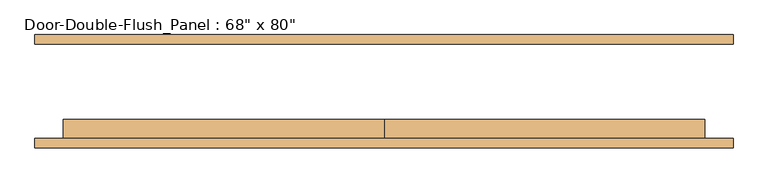
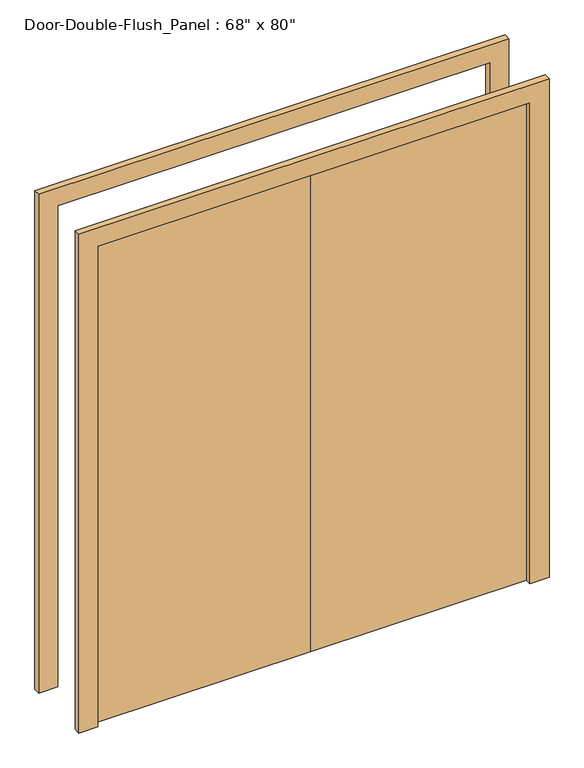
"""IFC4 building model written with IfcOpenShell, lengths in millimetres: door geometry."""

from ifc_helpers import new_model, si_unit, frame, origin, origin_with_axes, place, context, project, spatial, polyline, outline, extrude, source, transform, mapped, element, save


def door_2033baa4(model_context):
    return source(origin(), model_context, "Body", "SweptSolid", [
        extrude(outline(polyline([(2032.0, -863.6), (2032.0, 863.6), (0.0, 863.6), (0.0, 939.8), (2108.2, 939.8), (2108.2, -939.8), (0.0, -939.8), (0.0, -863.6), (2032.0, -863.6)])), frame((0.0, -152.4, 0.0), z_axis=(0.0, 1.0, 0.0), x_axis=(0.0, 0.0, 1.0)), (0.0, 0.0, 1.0), 25.4),
        extrude(outline(polyline([(2032.0, -863.6), (2032.0, 863.6), (0.0, 863.6), (0.0, 939.8), (2108.2, 939.8), (2108.2, -939.8), (0.0, -939.8), (0.0, -863.6), (2032.0, -863.6)])), frame((0.0, 127.0, 0.0), z_axis=(0.0, 1.0, 0.0), x_axis=(0.0, 0.0, 1.0)), (0.0, 0.0, 1.0), 25.4),
        extrude(outline(polyline([(-863.6, -127.0), (-863.6, -76.2), (0.0, -76.2), (0.0, -127.0), (-863.6, -127.0)])), origin_with_axes(), (0.0, 0.0, 1.0), 2032.0),
        extrude(outline(polyline([(0.0, -127.0), (0.0, -76.2), (863.6, -76.2), (863.6, -127.0), (0.0, -127.0)])), origin_with_axes(), (0.0, 0.0, 1.0), 2032.0),
    ])


if __name__ == "__main__":
    model = new_model("IFC4")
    model_context = context("Model", 3, world=origin())
    ifc_project = project(units=[si_unit("LENGTHUNIT", "METRE", prefix="MILLI")], contexts=[model_context])
    site = spatial("IfcSite", under=ifc_project)
    building = spatial("IfcBuilding", under=site)
    placement = place(None, origin())
    door_shape = door_2033baa4(model_context)
    element("IfcDoor", 1, ObjectType="Door-Double-Flush_Panel : 68\" x 80\"", at=placement, inside=building, context=model_context, shape_type="MappedRepresentation", body=[
        mapped(door_shape, transform((0.0, 0.0, 0.0), x_axis=(1.0, 0.0, 0.0), y_axis=(0.0, 1.0, 0.0), z_axis=(0.0, 0.0, 1.0))),
    ])
    save(model, "model.ifc")
